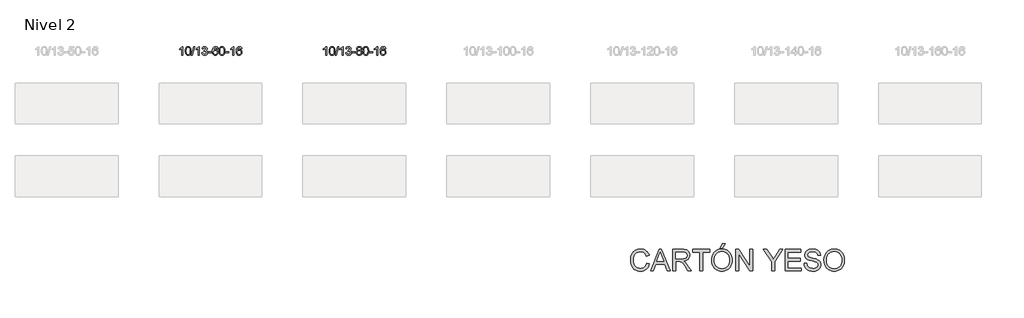
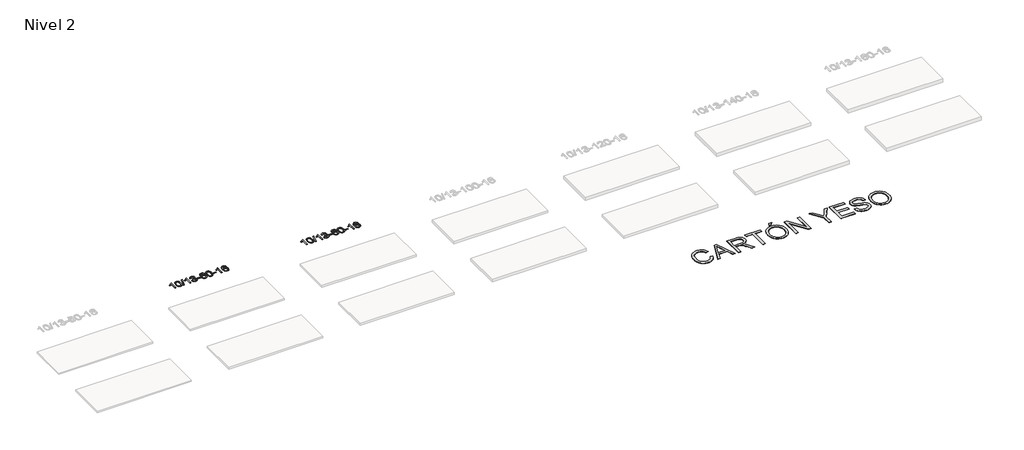
# One storey, part 24 of 51: 3 proxies.
"""IFC4 building model written with IfcOpenShell, lengths in millimetres."""

from ifc_helpers import new_model, si_unit, frame, origin, place, context, project, spatial, polyline, outline, extrude, element, save

model = new_model("IFC4")

# Units and contexts
model_context = context("Model", 3, world=origin())
ifc_project = project(units=[si_unit("LENGTHUNIT", "METRE", prefix="MILLI")], contexts=[model_context])

# Site, building, storey
site = spatial("IfcSite", under=ifc_project)
building = spatial("IfcBuilding", under=site)
storey = spatial("IfcBuildingStorey", under=building, Name="Nivel 2", Elevation=3000.0)

# Proxies
placement = place(None, origin())
element("IfcBuildingElementProxy", 1, Name="Texto de modelo 1", ObjectType="Texto de modelo 1", at=placement, inside=storey, context=model_context, shape_type="SweptSolid", body=[
    extrude(outline(polyline([(4438.4865277, -104863.8281584), (4388.2583726, -104863.8281584), (4388.2583726, -104550.6870041), (4367.2890989, -104567.6463641), (4340.6789679, -104584.5811986), (4287.8020625, -104609.9405308), (4287.8020625, -104562.459228), (4327.2512751, -104540.9994449), (4361.4275124, -104515.4684345), (4388.3687372, -104488.3187432), (4406.1129121, -104462.0029178), (4438.4865277, -104462.0029178), (4438.4865277, -104863.8281584)])), frame((0.0, 0.0, 3000.0), z_axis=(0.0, 0.0, 1.0), x_axis=(1.0, 0.0, 0.0)), (0.0, 0.0, 1.0), 10.0),
    extrude(outline(polyline([(4557.778396, -104666.1528997), (4561.4694787, -104601.8348642), (4572.5427267, -104550.5398513), (4590.8877756, -104511.4830462), (4602.7458385, -104496.2496659), (4616.3942606, -104483.8796338), (4631.8790269, -104474.3085706), (4649.2461227, -104467.4720968), (4689.6273031, -104462.0029178), (4720.5784416, -104465.2402794), (4748.2922186, -104474.9523641), (4771.4687843, -104490.7590271), (4788.808289, -104512.2801238), (4801.904888, -104539.3317132), (4812.3527367, -104571.7298543), (4819.1953418, -104612.8713241), (4821.4762101, -104666.1528997), (4817.8219157, -104730.1030532), (4806.8590322, -104781.2754387), (4788.624348, -104820.3690321), (4776.7938761, -104835.6483976), (4763.1546512, -104848.082809), (4747.6514908, -104857.7182516), (4730.2292126, -104864.6007106), (4689.6273031, -104870.1066778), (4661.962577, -104867.7154449), (4637.4371107, -104860.5417459), (4616.050904, -104848.5855811), (4597.8039571, -104831.8469503), (4580.2927741, -104801.5886562), (4567.7847863, -104763.8868831), (4560.2799936, -104718.7416309), (4557.778396, -104666.1528997)]), holes=[polyline([(4608.0065511, -104666.0547978), (4609.4780791, -104709.719325), (4613.892663, -104745.0635877), (4621.2503029, -104772.0875859), (4631.5509988, -104790.7913197), (4644.0099357, -104803.516971), (4657.8422987, -104812.606722), (4673.0480878, -104818.0605726), (4689.6273031, -104819.8785227), (4706.2065183, -104818.0544412), (4721.4123075, -104812.5821965), (4735.2446705, -104803.4617887), (4747.7036074, -104790.6932178), (4758.0043032, -104771.9588272), (4765.3619431, -104744.9409603), (4769.7765271, -104709.6396172), (4771.2480551, -104666.0547978), (4769.825578, -104623.5460333), (4765.5581469, -104588.8241043), (4758.4457616, -104561.8890109), (4748.4884223, -104542.740753), (4736.2379519, -104529.392768), (4722.2461733, -104519.8584929), (4706.5130866, -104514.1379279), (4689.0386919, -104512.2310729), (4672.5453158, -104513.9110674), (4657.597044, -104518.9510507), (4644.1938767, -104527.3510229), (4632.3358137, -104539.110984), (4621.6917613, -104559.9576304), (4614.0888667, -104588.0638149), (4609.52713, -104623.4295373), (4608.0065511, -104666.0547978)])]), frame((0.0, 0.0, 3000.0), z_axis=(0.0, 0.0, 1.0), x_axis=(1.0, 0.0, 0.0)), (0.0, 0.0, 1.0), 10.0),
    extrude(outline(polyline([(4840.3117683, -104863.8281584), (4953.3251172, -104462.0029178), (4998.648179, -104462.0029178), (4885.6348301, -104863.8281584), (4840.3117683, -104863.8281584)])), frame((0.0, 0.0, 3000.0), z_axis=(0.0, 0.0, 1.0), x_axis=(1.0, 0.0, 0.0)), (0.0, 0.0, 1.0), 10.0),
    extrude(outline(polyline([(5210.744412, -104863.8281584), (5160.5162569, -104863.8281584), (5160.5162569, -104550.6870041), (5139.5469832, -104567.6463641), (5112.9368522, -104584.5811986), (5060.0599467, -104609.9405308), (5060.0599467, -104562.459228), (5099.5091594, -104540.9994449), (5133.6853967, -104515.4684345), (5160.6266215, -104488.3187432), (5178.3707964, -104462.0029178), (5210.744412, -104462.0029178), (5210.744412, -104863.8281584)])), frame((0.0, 0.0, 3000.0), z_axis=(0.0, 0.0, 1.0), x_axis=(1.0, 0.0, 0.0)), (0.0, 0.0, 1.0), 10.0),
    extrude(outline(polyline([(5330.0362803, -104757.0933289), (5380.2644353, -104750.8148095), (5391.5093617, -104782.3790847), (5407.9782123, -104803.691715), (5430.4803277, -104815.8318208), (5459.8250482, -104819.8785227), (5494.2588029, -104814.3112419), (5508.5326243, -104807.3521408), (5520.8444084, -104797.6093993), (5537.8405566, -104772.6915255), (5543.5059393, -104742.476151), (5537.8896075, -104713.7936181), (5521.0406122, -104690.5312132), (5495.5341272, -104675.1169576), (5463.9453265, -104669.9788724), (5428.7267568, -104675.4725769), (5434.3185632, -104625.2444218), (5442.3629161, -104625.833033), (5472.4556633, -104622.2277895), (5499.3600999, -104611.4120588), (5510.433348, -104603.2328158), (5518.3428109, -104593.1160609), (5523.0884886, -104581.0617942), (5524.6703812, -104567.0700157), (5520.084119, -104545.3772407), (5506.3253324, -104527.7802186), (5485.3315332, -104516.1183593), (5459.0402332, -104512.2310729), (5432.6998824, -104516.1551475), (5411.1665229, -104527.9273714), (5395.445699, -104547.5477445), (5386.5429547, -104575.0162668), (5336.3147997, -104568.7377474), (5342.2683566, -104544.7579727), (5351.1036559, -104523.6354148), (5362.8206974, -104505.3700737), (5377.4194812, -104489.9619495), (5394.4401549, -104477.7298731), (5413.4228658, -104468.9926757), (5434.3676141, -104463.7503573), (5457.2743997, -104462.0029178), (5488.8509376, -104465.4487459), (5517.8523015, -104475.7862299), (5542.3041915, -104492.095665), (5560.2323074, -104513.4573462), (5571.231979, -104538.0686517), (5574.8985363, -104564.1269597), (5571.41592, -104588.4071714), (5560.9680714, -104610.4310402), (5543.7021431, -104629.1930219), (5519.7652879, -104643.6875725), (5551.2069358, -104656.3917641), (5574.5061288, -104678.0232254), (5588.927103, -104707.4047341), (5593.7340944, -104743.3590678), (5591.3305987, -104768.8410273), (5584.1201116, -104792.3118986), (5572.1026331, -104813.7716816), (5555.2781632, -104833.2203764), (5534.7810047, -104849.3581333), (5511.7454604, -104860.8851025), (5486.1715304, -104867.801284), (5458.0592146, -104870.1066778), (5432.6508315, -104868.1385091), (5409.4987912, -104862.2340031), (5388.6030939, -104852.3931598), (5369.9637395, -104838.615979), (5354.3348861, -104821.7118014), (5342.4706917, -104802.4899671), (5334.3711564, -104780.9504763), (5330.0362803, -104757.0933289)])), frame((0.0, 0.0, 3000.0), z_axis=(0.0, 0.0, 1.0), x_axis=(1.0, 0.0, 0.0)), (0.0, 0.0, 1.0), 10.0),
    extrude(outline(polyline([(5625.1266913, -104744.5362901), (5625.1266913, -104694.3081351), (5782.0896759, -104694.3081351), (5782.0896759, -104744.5362901), (5625.1266913, -104744.5362901)])), frame((0.0, 0.0, 3000.0), z_axis=(0.0, 0.0, 1.0), x_axis=(1.0, 0.0, 0.0)), (0.0, 0.0, 1.0), 10.0),
    extrude(outline(polyline([(6083.4586064, -104568.7377474), (6033.2304513, -104575.0162668), (6025.1370474, -104550.1229184), (6014.1986894, -104533.1267702), (5991.4145312, -104517.4549972), (5963.8724325, -104512.2310729), (5940.5241885, -104515.2722307), (5918.5493707, -104524.3957042), (5899.6770243, -104543.6114071), (5884.2627687, -104570.0621226), (5873.8517083, -104607.4757215), (5869.9889473, -104659.5800747), (5890.1366179, -104636.0724152), (5914.2819395, -104619.5054627), (5941.0760115, -104609.6830134), (5969.1699332, -104606.4088637), (5993.3029921, -104608.6468125), (6015.5721155, -104615.3606589), (6035.9773035, -104626.5504029), (6054.5185561, -104642.2160445), (6069.9266803, -104661.4256161), (6080.9324834, -104683.2471497), (6087.5359652, -104707.6806456), (6089.7371258, -104734.7261036), (6085.592322, -104770.6927), (6073.1579105, -104804.0350715), (6053.4639611, -104832.3129342), (6027.5405431, -104853.0860042), (5996.5648791, -104865.8515094), (5961.7141915, -104870.1066778), (5931.7716627, -104867.2862492), (5904.7292704, -104858.8249633), (5880.5870145, -104844.7228202), (5859.3448949, -104824.9798197), (5842.02685, -104798.7620962), (5829.6568179, -104765.2357837), (5822.2347987, -104724.4008823), (5819.7607923, -104676.2573918), (5822.5076445, -104622.2829718), (5830.7482012, -104576.2180146), (5844.4824623, -104538.0625203), (5863.7104279, -104507.816489), (5884.550943, -104487.7730516), (5908.7146587, -104473.4563106), (5936.2015751, -104464.866266), (5967.0116922, -104462.0029178), (5990.1453383, -104463.7748828), (6011.0839552, -104469.0907776), (6029.8275429, -104477.9506023), (6046.3761013, -104490.3543569), (6060.2820407, -104505.8851085), (6071.0977714, -104524.1259241), (6078.8232933, -104545.0768037), (6083.4586064, -104568.7377474)]), holes=[polyline([(5869.9889473, -104733.9412887), (5872.8952151, -104756.1981494), (5881.6140184, -104777.449466), (5895.1520758, -104795.7209384), (5912.516106, -104809.0382666), (5933.473117, -104817.1684587), (5957.7901168, -104819.8785227), (5990.9362846, -104814.262191), (6004.8514211, -104807.2417762), (6016.9945926, -104797.4131956), (6026.844633, -104785.1749879), (6033.8803762, -104770.9256919), (6039.5089707, -104736.3938353), (6033.9539526, -104703.2476675), (6027.0101799, -104689.6268367), (6017.2888982, -104677.9741745), (6005.1089385, -104668.6391688), (5990.7891318, -104661.9713077), (5955.7299777, -104656.6370188), (5922.6328608, -104661.9713077), (5894.9558721, -104677.9741745), (5884.0328425, -104689.4735525), (5876.2306785, -104702.6345309), (5871.5493801, -104717.4571096), (5869.9889473, -104733.9412887)])]), frame((0.0, 0.0, 3000.0), z_axis=(0.0, 0.0, 1.0), x_axis=(1.0, 0.0, 0.0)), (0.0, 0.0, 1.0), 10.0),
    extrude(outline(polyline([(6133.6867615, -104666.1528997), (6137.3778442, -104601.8348642), (6148.4510922, -104550.5398513), (6166.796141, -104511.4830462), (6178.654204, -104496.2496659), (6192.302626, -104483.8796338), (6207.7873923, -104474.3085706), (6225.1544882, -104467.4720968), (6265.5356685, -104462.0029178), (6296.4868071, -104465.2402794), (6324.200584, -104474.9523641), (6347.3771497, -104490.7590271), (6364.7166544, -104512.2801238), (6377.8132535, -104539.3317132), (6388.2611021, -104571.7298543), (6395.1037072, -104612.8713241), (6397.3845756, -104666.1528997), (6393.7302811, -104730.1030532), (6382.7673977, -104781.2754387), (6364.5327134, -104820.3690321), (6352.7022416, -104835.6483976), (6339.0630166, -104848.082809), (6323.5598562, -104857.7182516), (6306.1375781, -104864.6007106), (6265.5356685, -104870.1066778), (6237.8709425, -104867.7154449), (6213.3454762, -104860.5417459), (6191.9592695, -104848.5855811), (6173.7123225, -104831.8469503), (6156.2011396, -104801.5886562), (6143.6931517, -104763.8868831), (6136.188359, -104718.7416309), (6133.6867615, -104666.1528997)]), holes=[polyline([(6183.9149165, -104666.0547978), (6185.3864445, -104709.719325), (6189.8010285, -104745.0635877), (6197.1586684, -104772.0875859), (6207.4593642, -104790.7913197), (6219.9183011, -104803.516971), (6233.7506642, -104812.606722), (6248.9564533, -104818.0605726), (6265.5356685, -104819.8785227), (6282.1148838, -104818.0544412), (6297.3206729, -104812.5821965), (6311.1530359, -104803.4617887), (6323.6119728, -104790.6932178), (6333.9126687, -104771.9588272), (6341.2703086, -104744.9409603), (6345.6848926, -104709.6396172), (6347.1564205, -104666.0547978), (6345.7339435, -104623.5460333), (6341.4665123, -104588.8241043), (6334.3541271, -104561.8890109), (6324.3967878, -104542.740753), (6312.1463173, -104529.392768), (6298.1545388, -104519.8584929), (6282.4214521, -104514.1379279), (6264.9470573, -104512.2310729), (6248.4536812, -104513.9110674), (6233.5054095, -104518.9510507), (6220.1022421, -104527.3510229), (6208.2441792, -104539.110984), (6197.6001268, -104559.9576304), (6189.9972322, -104588.0638149), (6185.4354955, -104623.4295373), (6183.9149165, -104666.0547978)])]), frame((0.0, 0.0, 3000.0), z_axis=(0.0, 0.0, 1.0), x_axis=(1.0, 0.0, 0.0)), (0.0, 0.0, 1.0), 10.0),
    extrude(outline(polyline([(6428.7771725, -104744.5362901), (6428.7771725, -104694.3081351), (6585.7401571, -104694.3081351), (6585.7401571, -104744.5362901), (6428.7771725, -104744.5362901)])), frame((0.0, 0.0, 3000.0), z_axis=(0.0, 0.0, 1.0), x_axis=(1.0, 0.0, 0.0)), (0.0, 0.0, 1.0), 10.0),
    extrude(outline(polyline([(6818.0453744, -104863.8281584), (6767.8172193, -104863.8281584), (6767.8172193, -104550.6870041), (6746.8479456, -104567.6463641), (6720.2378146, -104584.5811986), (6667.3609091, -104609.9405308), (6667.3609091, -104562.459228), (6706.8101218, -104540.9994449), (6740.9863591, -104515.4684345), (6767.9275839, -104488.3187432), (6785.6717588, -104462.0029178), (6818.0453744, -104462.0029178), (6818.0453744, -104863.8281584)])), frame((0.0, 0.0, 3000.0), z_axis=(0.0, 0.0, 1.0), x_axis=(1.0, 0.0, 0.0)), (0.0, 0.0, 1.0), 10.0),
    extrude(outline(polyline([(7194.7565374, -104568.7377474), (7144.5283823, -104575.0162668), (7136.4349785, -104550.1229184), (7125.4966205, -104533.1267702), (7102.7124622, -104517.4549972), (7075.1703635, -104512.2310729), (7051.8221196, -104515.2722307), (7029.8473017, -104524.3957042), (7010.9749554, -104543.6114071), (6995.5606998, -104570.0621226), (6985.1496393, -104607.4757215), (6981.2868784, -104659.5800747), (7001.434549, -104636.0724152), (7025.5798706, -104619.5054627), (7052.3739426, -104609.6830134), (7080.4678643, -104606.4088637), (7104.6009231, -104608.6468125), (7126.8700466, -104615.3606589), (7147.2752346, -104626.5504029), (7165.8164871, -104642.2160445), (7181.2246114, -104661.4256161), (7192.2304144, -104683.2471497), (7198.8338962, -104707.6806456), (7201.0350568, -104734.7261036), (7196.890253, -104770.6927), (7184.4558416, -104804.0350715), (7164.7618921, -104832.3129342), (7138.8384742, -104853.0860042), (7107.8628102, -104865.8515094), (7073.0121225, -104870.1066778), (7043.0695938, -104867.2862492), (7016.0272014, -104858.8249633), (6991.8849455, -104844.7228202), (6970.642826, -104824.9798197), (6953.324781, -104798.7620962), (6940.954749, -104765.2357837), (6933.5327297, -104724.4008823), (6931.0587233, -104676.2573918), (6933.8055755, -104622.2829718), (6942.0461322, -104576.2180146), (6955.7803934, -104538.0625203), (6975.008359, -104507.816489), (6995.848874, -104487.7730516), (7020.0125897, -104473.4563106), (7047.4995061, -104464.866266), (7078.3096232, -104462.0029178), (7101.4432693, -104463.7748828), (7122.3818862, -104469.0907776), (7141.1254739, -104477.9506023), (7157.6740323, -104490.3543569), (7171.5799717, -104505.8851085), (7182.3957024, -104524.1259241), (7190.1212243, -104545.0768037), (7194.7565374, -104568.7377474)]), holes=[polyline([(6981.2868784, -104733.9412887), (6984.1931461, -104756.1981494), (6992.9119494, -104777.449466), (7006.4500068, -104795.7209384), (7023.814037, -104809.0382666), (7044.771048, -104817.1684587), (7069.0880479, -104819.8785227), (7102.2342156, -104814.262191), (7116.1493521, -104807.2417762), (7128.2925236, -104797.4131956), (7138.142564, -104785.1749879), (7145.1783072, -104770.9256919), (7150.8069017, -104736.3938353), (7145.2518836, -104703.2476675), (7138.3081109, -104689.6268367), (7128.5868292, -104677.9741745), (7116.4068695, -104668.6391688), (7102.0870628, -104661.9713077), (7067.0279087, -104656.6370188), (7033.9307919, -104661.9713077), (7006.2538031, -104677.9741745), (6995.3307735, -104689.4735525), (6987.5286095, -104702.6345309), (6982.8473112, -104717.4571096), (6981.2868784, -104733.9412887)])]), frame((0.0, 0.0, 3000.0), z_axis=(0.0, 0.0, 1.0), x_axis=(1.0, 0.0, 0.0)), (0.0, 0.0, 1.0), 10.0),
])
element("IfcBuildingElementProxy", 2, Name="Texto de modelo 1", ObjectType="Texto de modelo 1", at=placement, inside=storey, context=model_context, shape_type="SweptSolid", body=[
    extrude(outline(polyline([(11153.4270625, -104863.8281584), (11103.1989074, -104863.8281584), (11103.1989074, -104550.6870041), (11082.2296337, -104567.6463641), (11055.6195027, -104584.5811986), (11002.7425973, -104609.9405308), (11002.7425973, -104562.459228), (11042.1918099, -104540.9994449), (11076.3680473, -104515.4684345), (11103.309272, -104488.3187432), (11121.0534469, -104462.0029178), (11153.4270625, -104462.0029178), (11153.4270625, -104863.8281584)])), frame((0.0, 0.0, 3000.0), z_axis=(0.0, 0.0, 1.0), x_axis=(1.0, 0.0, 0.0)), (0.0, 0.0, 1.0), 10.0),
    extrude(outline(polyline([(11272.7189308, -104666.1528997), (11276.4100135, -104601.8348642), (11287.4832616, -104550.5398513), (11305.8283104, -104511.4830462), (11317.6863734, -104496.2496659), (11331.3347954, -104483.8796338), (11346.8195617, -104474.3085706), (11364.1866576, -104467.4720968), (11404.5678379, -104462.0029178), (11435.5189764, -104465.2402794), (11463.2327534, -104474.9523641), (11486.4093191, -104490.7590271), (11503.7488238, -104512.2801238), (11516.8454228, -104539.3317132), (11527.2932715, -104571.7298543), (11534.1358766, -104612.8713241), (11536.416745, -104666.1528997), (11532.7624505, -104730.1030532), (11521.799567, -104781.2754387), (11503.5648828, -104820.3690321), (11491.734411, -104835.6483976), (11478.095186, -104848.082809), (11462.5920256, -104857.7182516), (11445.1697474, -104864.6007106), (11404.5678379, -104870.1066778), (11376.9031119, -104867.7154449), (11352.3776455, -104860.5417459), (11330.9914389, -104848.5855811), (11312.7444919, -104831.8469503), (11295.2333089, -104801.5886562), (11282.7253211, -104763.8868831), (11275.2205284, -104718.7416309), (11272.7189308, -104666.1528997)]), holes=[polyline([(11322.9470859, -104666.0547978), (11324.4186139, -104709.719325), (11328.8331978, -104745.0635877), (11336.1908377, -104772.0875859), (11346.4915336, -104790.7913197), (11358.9504705, -104803.516971), (11372.7828335, -104812.606722), (11387.9886226, -104818.0605726), (11404.5678379, -104819.8785227), (11421.1470531, -104818.0544412), (11436.3528423, -104812.5821965), (11450.1852053, -104803.4617887), (11462.6441422, -104790.6932178), (11472.9448381, -104771.9588272), (11480.302478, -104744.9409603), (11484.7170619, -104709.6396172), (11486.1885899, -104666.0547978), (11484.7661128, -104623.5460333), (11480.4986817, -104588.8241043), (11473.3862965, -104561.8890109), (11463.4289571, -104542.740753), (11451.1784867, -104529.392768), (11437.1867081, -104519.8584929), (11421.4536215, -104514.1379279), (11403.9792267, -104512.2310729), (11387.4858506, -104513.9110674), (11372.5375788, -104518.9510507), (11359.1344115, -104527.3510229), (11347.2763485, -104539.110984), (11336.6322961, -104559.9576304), (11329.0294015, -104588.0638149), (11324.4676648, -104623.4295373), (11322.9470859, -104666.0547978)])]), frame((0.0, 0.0, 3000.0), z_axis=(0.0, 0.0, 1.0), x_axis=(1.0, 0.0, 0.0)), (0.0, 0.0, 1.0), 10.0),
    extrude(outline(polyline([(11555.2523031, -104863.8281584), (11668.265652, -104462.0029178), (11713.5887138, -104462.0029178), (11600.5753649, -104863.8281584), (11555.2523031, -104863.8281584)])), frame((0.0, 0.0, 3000.0), z_axis=(0.0, 0.0, 1.0), x_axis=(1.0, 0.0, 0.0)), (0.0, 0.0, 1.0), 10.0),
    extrude(outline(polyline([(11925.6849468, -104863.8281584), (11875.4567917, -104863.8281584), (11875.4567917, -104550.6870041), (11854.487518, -104567.6463641), (11827.877387, -104584.5811986), (11775.0004816, -104609.9405308), (11775.0004816, -104562.459228), (11814.4496942, -104540.9994449), (11848.6259315, -104515.4684345), (11875.5671563, -104488.3187432), (11893.3113312, -104462.0029178), (11925.6849468, -104462.0029178), (11925.6849468, -104863.8281584)])), frame((0.0, 0.0, 3000.0), z_axis=(0.0, 0.0, 1.0), x_axis=(1.0, 0.0, 0.0)), (0.0, 0.0, 1.0), 10.0),
    extrude(outline(polyline([(12044.9768151, -104757.0933289), (12095.2049702, -104750.8148095), (12106.4498965, -104782.3790847), (12122.9187471, -104803.691715), (12145.4208625, -104815.8318208), (12174.765583, -104819.8785227), (12209.1993377, -104814.3112419), (12223.4731592, -104807.3521408), (12235.7849433, -104797.6093993), (12252.7810914, -104772.6915255), (12258.4464742, -104742.476151), (12252.8301424, -104713.7936181), (12235.981147, -104690.5312132), (12210.474662, -104675.1169576), (12178.8858613, -104669.9788724), (12143.6672917, -104675.4725769), (12149.259098, -104625.2444218), (12157.303451, -104625.833033), (12187.3961982, -104622.2277895), (12214.3006347, -104611.4120588), (12225.3738828, -104603.2328158), (12233.2833457, -104593.1160609), (12238.0290234, -104581.0617942), (12239.610916, -104567.0700157), (12235.0246538, -104545.3772407), (12221.2658672, -104527.7802186), (12200.272068, -104516.1183593), (12173.9807681, -104512.2310729), (12147.6404172, -104516.1551475), (12126.1070578, -104527.9273714), (12110.3862338, -104547.5477445), (12101.4834896, -104575.0162668), (12051.2553345, -104568.7377474), (12057.2088914, -104544.7579727), (12066.0441907, -104523.6354148), (12077.7612322, -104505.3700737), (12092.3600161, -104489.9619495), (12109.3806897, -104477.7298731), (12128.3634007, -104468.9926757), (12149.3081489, -104463.7503573), (12172.2149345, -104462.0029178), (12203.7914724, -104465.4487459), (12232.7928364, -104475.7862299), (12257.2447263, -104492.095665), (12275.1728422, -104513.4573462), (12286.1725139, -104538.0686517), (12289.8390711, -104564.1269597), (12286.3564549, -104588.4071714), (12275.9086062, -104610.4310402), (12258.6426779, -104629.1930219), (12234.7058227, -104643.6875725), (12266.1474706, -104656.3917641), (12289.4466636, -104678.0232254), (12303.8676378, -104707.4047341), (12308.6746292, -104743.3590678), (12306.2711335, -104768.8410273), (12299.0606464, -104792.3118986), (12287.0431679, -104813.7716816), (12270.218698, -104833.2203764), (12249.7215395, -104849.3581333), (12226.6859952, -104860.8851025), (12201.1120652, -104867.801284), (12172.9997494, -104870.1066778), (12147.5913663, -104868.1385091), (12124.4393261, -104862.2340031), (12103.5436287, -104852.3931598), (12084.9042743, -104838.615979), (12069.2754209, -104821.7118014), (12057.4112265, -104802.4899671), (12049.3116913, -104780.9504763), (12044.9768151, -104757.0933289)])), frame((0.0, 0.0, 3000.0), z_axis=(0.0, 0.0, 1.0), x_axis=(1.0, 0.0, 0.0)), (0.0, 0.0, 1.0), 10.0),
    extrude(outline(polyline([(12340.0672262, -104744.5362901), (12340.0672262, -104694.3081351), (12497.0302108, -104694.3081351), (12497.0302108, -104744.5362901), (12340.0672262, -104744.5362901)])), frame((0.0, 0.0, 3000.0), z_axis=(0.0, 0.0, 1.0), x_axis=(1.0, 0.0, 0.0)), (0.0, 0.0, 1.0), 10.0),
    extrude(outline(polyline([(12614.163838, -104642.5103501), (12587.2716642, -104629.2665983), (12568.3993178, -104611.3139569), (12557.2524934, -104589.020308), (12553.5368852, -104562.7535336), (12555.5602362, -104542.2686378), (12561.6302891, -104523.488262), (12571.747044, -104506.412406), (12585.9105008, -104491.04107), (12603.4400779, -104478.3368784), (12623.6551935, -104469.2624559), (12646.5558477, -104463.8178023), (12672.1420405, -104462.0029178), (12697.8508606, -104463.8607219), (12720.923193, -104469.4341341), (12741.3590379, -104478.7231545), (12759.1583951, -104491.727783), (12773.5793693, -104507.399556), (12783.8800651, -104524.6900098), (12790.0604827, -104543.5991444), (12792.1206218, -104564.1269597), (12788.4540646, -104589.5476056), (12777.454393, -104611.4611097), (12758.9989795, -104629.3033865), (12732.965197, -104642.5103501), (12763.8795473, -104658.4396405), (12786.3816627, -104681.8982491), (12800.1036611, -104711.7580044), (12804.6776606, -104746.8907349), (12802.409055, -104771.9434988), (12795.6032381, -104794.911598), (12784.2602099, -104815.7950326), (12768.3799704, -104834.5938026), (12748.7963855, -104850.1306855), (12726.3433211, -104861.228459), (12701.0207771, -104867.8871231), (12672.8287535, -104870.1066778), (12644.63673, -104867.8779261), (12619.314186, -104861.1916708), (12596.8611215, -104850.047912), (12577.2775366, -104834.4466498), (12561.3972972, -104815.5160554), (12550.054269, -104794.3843005), (12543.2484521, -104771.0513849), (12540.9798465, -104745.5173088), (12545.7377869, -104709.0234149), (12560.0116083, -104679.0042441), (12583.0655467, -104656.489866), (12614.163838, -104642.5103501)]), holes=[polyline([(12591.2080015, -104743.7514752), (12593.3049289, -104762.9671781), (12599.595711, -104781.5697443), (12611.2085193, -104797.7933403), (12629.2715253, -104809.8721325), (12650.9029866, -104817.3769252), (12673.221161, -104819.8785227), (12707.4096611, -104814.6178102), (12721.3033378, -104808.0419196), (12733.0632989, -104798.8356726), (12749.1029539, -104774.9356057), (12754.4495055, -104745.3211051), (12748.9312756, -104715.2038324), (12732.3765858, -104690.7764679), (12720.2977936, -104681.3341634), (12706.1343368, -104674.5896601), (12671.5534293, -104669.1940575), (12637.8431758, -104674.5160837), (12624.105849, -104681.1686165), (12612.4470554, -104690.4821623), (12596.517765, -104714.4435429), (12591.2080015, -104743.7514752)]), polyline([(12603.7650403, -104564.2250616), (12608.2164124, -104586.1508285), (12621.5705289, -104603.6620114), (12643.4349821, -104615.1399297), (12673.4173647, -104618.9659024), (12702.7007715, -104615.1644552), (12724.234131, -104603.7601133), (12737.4778828, -104586.8375415), (12741.8924668, -104566.4814045), (12737.33073, -104545.3527152), (12723.6455198, -104527.8783204), (12701.8178548, -104516.1428848), (12672.8287535, -104512.2310729), (12643.6557113, -104516.0570457), (12621.8648345, -104527.5349639), (12608.2899888, -104544.3594338), (12603.7650403, -104564.2250616)])]), frame((0.0, 0.0, 3000.0), z_axis=(0.0, 0.0, 1.0), x_axis=(1.0, 0.0, 0.0)), (0.0, 0.0, 1.0), 10.0),
    extrude(outline(polyline([(12848.6272963, -104666.1528997), (12852.318379, -104601.8348642), (12863.391627, -104550.5398513), (12881.7366759, -104511.4830462), (12893.5947388, -104496.2496659), (12907.2431609, -104483.8796338), (12922.7279272, -104474.3085706), (12940.095023, -104467.4720968), (12980.4762034, -104462.0029178), (13011.4273419, -104465.2402794), (13039.1411189, -104474.9523641), (13062.3176846, -104490.7590271), (13079.6571893, -104512.2801238), (13092.7537883, -104539.3317132), (13103.201637, -104571.7298543), (13110.0442421, -104612.8713241), (13112.3251104, -104666.1528997), (13108.6708159, -104730.1030532), (13097.7079325, -104781.2754387), (13079.4732483, -104820.3690321), (13067.6427764, -104835.6483976), (13054.0035515, -104848.082809), (13038.5003911, -104857.7182516), (13021.0781129, -104864.6007106), (12980.4762034, -104870.1066778), (12952.8114773, -104867.7154449), (12928.286011, -104860.5417459), (12906.8998043, -104848.5855811), (12888.6528574, -104831.8469503), (12871.1416744, -104801.5886562), (12858.6336866, -104763.8868831), (12851.1288939, -104718.7416309), (12848.6272963, -104666.1528997)]), holes=[polyline([(12898.8554514, -104666.0547978), (12900.3269793, -104709.719325), (12904.7415633, -104745.0635877), (12912.0992032, -104772.0875859), (12922.3998991, -104790.7913197), (12934.858836, -104803.516971), (12948.691199, -104812.606722), (12963.8969881, -104818.0605726), (12980.4762034, -104819.8785227), (12997.0554186, -104818.0544412), (13012.2612077, -104812.5821965), (13026.0935708, -104803.4617887), (13038.5525077, -104790.6932178), (13048.8532035, -104771.9588272), (13056.2108434, -104744.9409603), (13060.6254274, -104709.6396172), (13062.0969554, -104666.0547978), (13060.6744783, -104623.5460333), (13056.4070472, -104588.8241043), (13049.2946619, -104561.8890109), (13039.3373226, -104542.740753), (13027.0868522, -104529.392768), (13013.0950736, -104519.8584929), (12997.3619869, -104514.1379279), (12979.8875922, -104512.2310729), (12963.3942161, -104513.9110674), (12948.4459443, -104518.9510507), (12935.042777, -104527.3510229), (12923.184714, -104539.110984), (12912.5406616, -104559.9576304), (12904.937767, -104588.0638149), (12900.3760303, -104623.4295373), (12898.8554514, -104666.0547978)])]), frame((0.0, 0.0, 3000.0), z_axis=(0.0, 0.0, 1.0), x_axis=(1.0, 0.0, 0.0)), (0.0, 0.0, 1.0), 10.0),
    extrude(outline(polyline([(13143.7177074, -104744.5362901), (13143.7177074, -104694.3081351), (13300.680692, -104694.3081351), (13300.680692, -104744.5362901), (13143.7177074, -104744.5362901)])), frame((0.0, 0.0, 3000.0), z_axis=(0.0, 0.0, 1.0), x_axis=(1.0, 0.0, 0.0)), (0.0, 0.0, 1.0), 10.0),
    extrude(outline(polyline([(13532.9859092, -104863.8281584), (13482.7577541, -104863.8281584), (13482.7577541, -104550.6870041), (13461.7884804, -104567.6463641), (13435.1783494, -104584.5811986), (13382.301444, -104609.9405308), (13382.301444, -104562.459228), (13421.7506566, -104540.9994449), (13455.9268939, -104515.4684345), (13482.8681187, -104488.3187432), (13500.6122936, -104462.0029178), (13532.9859092, -104462.0029178), (13532.9859092, -104863.8281584)])), frame((0.0, 0.0, 3000.0), z_axis=(0.0, 0.0, 1.0), x_axis=(1.0, 0.0, 0.0)), (0.0, 0.0, 1.0), 10.0),
    extrude(outline(polyline([(13909.6970722, -104568.7377474), (13859.4689172, -104575.0162668), (13851.3755133, -104550.1229184), (13840.4371553, -104533.1267702), (13817.6529971, -104517.4549972), (13790.1108983, -104512.2310729), (13766.7626544, -104515.2722307), (13744.7878365, -104524.3957042), (13725.9154902, -104543.6114071), (13710.5012346, -104570.0621226), (13700.0901741, -104607.4757215), (13696.2274132, -104659.5800747), (13716.3750838, -104636.0724152), (13740.5204054, -104619.5054627), (13767.3144774, -104609.6830134), (13795.4083991, -104606.4088637), (13819.541458, -104608.6468125), (13841.8105814, -104615.3606589), (13862.2157694, -104626.5504029), (13880.757022, -104642.2160445), (13896.1651462, -104661.4256161), (13907.1709492, -104683.2471497), (13913.774431, -104707.6806456), (13915.9755916, -104734.7261036), (13911.8307878, -104770.6927), (13899.3963764, -104804.0350715), (13879.7024269, -104832.3129342), (13853.779009, -104853.0860042), (13822.803345, -104865.8515094), (13787.9526573, -104870.1066778), (13758.0101286, -104867.2862492), (13730.9677363, -104858.8249633), (13706.8254803, -104844.7228202), (13685.5833608, -104824.9798197), (13668.2653159, -104798.7620962), (13655.8952838, -104765.2357837), (13648.4732645, -104724.4008823), (13645.9992581, -104676.2573918), (13648.7461103, -104622.2829718), (13656.986667, -104576.2180146), (13670.7209282, -104538.0625203), (13689.9488938, -104507.816489), (13710.7894088, -104487.7730516), (13734.9531245, -104473.4563106), (13762.4400409, -104464.866266), (13793.250158, -104462.0029178), (13816.3838042, -104463.7748828), (13837.3224211, -104469.0907776), (13856.0660087, -104477.9506023), (13872.6145671, -104490.3543569), (13886.5205066, -104505.8851085), (13897.3362372, -104524.1259241), (13905.0617591, -104545.0768037), (13909.6970722, -104568.7377474)]), holes=[polyline([(13696.2274132, -104733.9412887), (13699.1336809, -104756.1981494), (13707.8524842, -104777.449466), (13721.3905416, -104795.7209384), (13738.7545718, -104809.0382666), (13759.7115828, -104817.1684587), (13784.0285827, -104819.8785227), (13817.1747505, -104814.262191), (13831.0898869, -104807.2417762), (13843.2330585, -104797.4131956), (13853.0830989, -104785.1749879), (13860.118842, -104770.9256919), (13865.7474366, -104736.3938353), (13860.1924184, -104703.2476675), (13853.2486458, -104689.6268367), (13843.527364, -104677.9741745), (13831.3474043, -104668.6391688), (13817.0275977, -104661.9713077), (13781.9684435, -104656.6370188), (13748.8713267, -104661.9713077), (13721.1943379, -104677.9741745), (13710.2713083, -104689.4735525), (13702.4691444, -104702.6345309), (13697.787846, -104717.4571096), (13696.2274132, -104733.9412887)])]), frame((0.0, 0.0, 3000.0), z_axis=(0.0, 0.0, 1.0), x_axis=(1.0, 0.0, 0.0)), (0.0, 0.0, 1.0), 10.0),
])
element("IfcBuildingElementProxy", 3, Name="Texto de modelo 2", ObjectType="Texto de modelo 2", at=placement, inside=storey, context=model_context, shape_type="SweptSolid", body=[
    extrude(outline(polyline([(26087.1308486, -114573.584892), (26212.7012363, -114605.9585075), (26187.8538732, -114684.0491252), (26154.759822, -114752.2835711), (26113.4190828, -114810.6618452), (26089.6562052, -114836.1549179), (26063.8316556, -114859.1839475), (26007.1165146, -114897.3287119), (25944.3926345, -114924.5749722), (25875.660015, -114940.9227284), (25800.9186563, -114946.3719804), (25724.3455519, -114942.2486364), (25655.2680431, -114929.8786043), (25593.6861299, -114909.2618841), (25539.5998124, -114880.3984759), (25492.2656624, -114843.7175753), (25450.9402516, -114799.648378), (25415.62358, -114748.1908839), (25386.3156478, -114689.3450931), (25363.3000304, -114625.6555227), (25346.8603038, -114559.6666898), (25336.9964678, -114491.3785945), (25333.7085225, -114420.7912366), (25337.4256634, -114345.0535309), (25348.5770864, -114274.3128889), (25367.1627914, -114208.5693107), (25393.1827783, -114147.8227962), (25426.0545675, -114093.0773568), (25465.1956789, -114045.3370037), (25510.6061127, -114004.601737), (25562.2858688, -113970.8715565), (25618.4798436, -113944.4223739), (25677.4329333, -113925.5301006), (25739.145138, -113914.1947366), (25803.6164576, -113910.416282), (25875.437753, -113915.3060468), (25941.2962943, -113929.9753414), (26001.1920817, -113954.4241657), (26055.125115, -113988.6525196), (26102.2063462, -114031.7560267), (26141.546727, -114082.8303104), (26173.1462576, -114141.8753706), (26197.0049378, -114208.8912074), (26071.4345501, -114238.8122763), (26051.6608929, -114189.4317827), (26027.9018474, -114147.2403164), (26000.1574136, -114112.2378774), (25968.4275915, -114084.4244657), (25932.5284401, -114063.2329299), (25892.2760185, -114048.0961187), (25847.6703266, -114039.0140319), (25798.7113644, -114035.9866697), (25742.3794338, -114039.3435929), (25690.8606261, -114049.4143625), (25644.1549411, -114066.1989785), (25602.2623789, -114089.697441), (25565.7117699, -114118.8520891), (25535.0319443, -114152.6052621), (25510.2229023, -114190.9569601), (25491.2846437, -114233.9071831), (25477.2821353, -114279.5092221), (25467.2803435, -114325.8163682), (25461.2792685, -114372.8286215), (25459.2789101, -114420.545982), (25461.6471505, -114480.5107472), (25468.7518715, -114536.5514378), (25480.5930732, -114588.6680538), (25497.1707556, -114636.8605951), (25518.753166, -114680.1710359), (25545.6085517, -114717.6413499), (25577.7369126, -114749.2715373), (25615.1382488, -114775.061598), (25655.9961429, -114795.0728457), (25698.4941775, -114809.366594), (25742.6323527, -114817.942843), (25788.4106685, -114820.8015927), (25843.0028237, -114816.9081749), (25893.2263803, -114805.2279216), (25939.0813381, -114785.7608327), (25980.5676973, -114758.5069082), (26016.7044391, -114723.5887755), (26046.5105449, -114681.1290619), (26069.9860148, -114631.1277674), (26087.1308486, -114573.584892)])), frame((0.0, 0.0, 3000.0), z_axis=(0.0, 0.0, 1.0), x_axis=(1.0, 0.0, 0.0)), (0.0, 0.0, 1.0), 10.0),
    extrude(outline(polyline([(26268.3740449, -114930.6756819), (26669.3654196, -113926.1125804), (26776.2964529, -113926.1125804), (27177.2878276, -114930.6756819), (27044.6050547, -114930.6756819), (26929.5806175, -114616.7497127), (26515.8360003, -114616.7497127), (26401.0568178, -114930.6756819), (26268.3740449, -114930.6756819)]), holes=[polyline([(26561.943877, -114491.179325), (26883.7179955, -114491.179325), (26793.2190247, -114244.2078789), (26722.8309362, -114051.6829681), (26660.2909971, -114222.6254686), (26561.943877, -114491.179325)])]), frame((0.0, 0.0, 3000.0), z_axis=(0.0, 0.0, 1.0), x_axis=(1.0, 0.0, 0.0)), (0.0, 0.0, 1.0), 10.0),
    extrude(outline(polyline([(27311.4421285, -114930.6756819), (27311.4421285, -113926.1125804), (27744.3166095, -113926.1125804), (27806.4503457, -113927.8063705), (27860.6592905, -113932.8877405), (27906.943444, -113941.3566906), (27945.3028062, -113953.2132208), (27977.9676617, -113969.3693717), (28007.1682951, -113990.7371843), (28032.9047063, -114017.3166584), (28055.1768954, -114049.1077942), (28073.1494637, -114084.4014731), (28085.9870125, -114121.4885767), (28093.6895418, -114160.3691051), (28096.2570516, -114201.0430582), (28092.003416, -114252.638508), (28079.2425093, -114300.0033149), (28057.9743314, -114343.1374788), (28028.1988825, -114382.0409998), (27989.5329519, -114415.4722761), (27941.5933294, -114442.189706), (27884.380015, -114462.1932895), (27817.8930086, -114475.4830266), (27859.279733, -114502.5223532), (27889.2621156, -114529.1937979), (27940.7042813, -114590.2008954), (27991.042801, -114658.4430055), (28158.5517361, -114930.6756819), (28012.6252113, -114930.6756819), (27881.9044757, -114722.4544727), (27829.6039187, -114642.9919617), (27787.4814303, -114584.6213518), (27752.3793566, -114544.4302438), (27721.1400438, -114519.5062387), (27691.5562, -114504.8829294), (27661.4205333, -114495.593909), (27588.5798982, -114491.179325), (27437.0125162, -114491.179325), (27437.0125162, -114930.6756819), (27311.4421285, -114930.6756819)]), holes=[polyline([(27437.0125162, -114365.6089374), (27718.0743605, -114365.6089374), (27798.7938016, -114361.1636966), (27861.4257113, -114347.8279743), (27886.6102996, -114337.6039205), (27908.5759204, -114324.7127222), (27927.3225737, -114309.1543795), (27942.8502596, -114290.9288923), (27955.0286865, -114270.9329731), (27963.7275628, -114250.063334), (27968.9468886, -114228.3199753), (27970.6866639, -114205.7028968), (27967.3680617, -114173.5898643), (27957.4122552, -114144.4505446), (27940.8192444, -114118.2849377), (27917.5890292, -114095.0930436), (27887.1851152, -114076.1011356), (27849.0710076, -114062.535487), (27803.2467066, -114054.3960978), (27749.7122121, -114051.6829681), (27437.0125162, -114051.6829681), (27437.0125162, -114365.6089374)])]), frame((0.0, 0.0, 3000.0), z_axis=(0.0, 0.0, 1.0), x_axis=(1.0, 0.0, 0.0)), (0.0, 0.0, 1.0), 10.0),
    extrude(outline(polyline([(28567.1460054, -114930.6756819), (28567.1460054, -114051.6829681), (28237.5237377, -114051.6829681), (28237.5237377, -113926.1125804), (29022.3386608, -113926.1125804), (29022.3386608, -114051.6829681), (28692.7163931, -114051.6829681), (28692.7163931, -114930.6756819), (28567.1460054, -114930.6756819)])), frame((0.0, 0.0, 3000.0), z_axis=(0.0, 0.0, 1.0), x_axis=(1.0, 0.0, 0.0)), (0.0, 0.0, 1.0), 10.0),
    extrude(outline(polyline([(29116.5164515, -114441.637883), (29118.6087804, -114381.0331564), (29124.8857669, -114323.8083456), (29135.3474112, -114269.9634507), (29149.9937131, -114219.4984716), (29168.8246727, -114172.4134083), (29191.84029, -114128.7082609), (29219.0405651, -114088.3830293), (29250.4254978, -114051.4377135), (29285.1175363, -114018.3858155), (29322.2391289, -113989.7408372), (29361.7902755, -113965.5027787), (29403.7709761, -113945.6716399), (29448.1812307, -113930.2474208), (29495.0210393, -113919.2301215), (29544.2904019, -113912.6197419), (29595.9893186, -113910.416282), (29663.5723068, -113914.5549544), (29727.7523865, -113926.9709718), (29788.5295578, -113947.664334), (29845.9038206, -113976.6350411), (29898.2656913, -114013.0093734), (29944.005686, -114055.9136111), (29983.1238048, -114105.3477542), (30015.6200477, -114161.3118027), (30041.1571896, -114222.5334981), (30059.3980052, -114287.7405817), (30070.3424945, -114356.9330536), (30073.9906576, -114430.1109138), (30070.1508893, -114504.2544643), (30058.6315843, -114574.3819696), (30039.4327427, -114640.4934298), (30012.5543644, -114702.5888449), (29978.6325788, -114759.0280744), (29938.3035151, -114808.1709775), (29891.5671733, -114850.0175545), (29838.4235534, -114884.5678052), (29780.9649843, -114911.6071319), (29721.2837948, -114930.9209366), (29659.3799849, -114942.5092195), (29595.2535546, -114946.3719804), (29526.4902783, -114942.1030164), (29461.4671357, -114929.2961245), (29400.1841266, -114907.9513045), (29342.6412512, -114878.0685566), (29290.3406942, -114840.8051762), (29244.7846405, -114797.3184587), (29205.97309, -114747.6084041), (29173.9060428, -114691.6750124), (29148.7980966, -114631.7638967), (29130.8638493, -114570.1206698), (29120.103301, -114506.745332), (29116.5164515, -114441.637883)]), holes=[polyline([(29242.0868392, -114442.8641563), (29243.6560859, -114485.657263), (29248.3638258, -114526.1127862), (29256.2100589, -114564.2307258), (29267.1947854, -114600.0110819), (29281.3180051, -114633.4538546), (29298.5797181, -114664.5590437), (29318.9799244, -114693.3266493), (29342.5186239, -114719.7566714), (29368.4255638, -114743.4390748), (29395.9304911, -114763.9638245), (29425.0334058, -114781.3309203), (29455.7343079, -114795.5403624), (29488.0331975, -114806.5921507), (29521.9300744, -114814.4862851), (29557.4249388, -114819.2227658), (29594.5177906, -114820.8015927), (29632.2889248, -114819.2074374), (29668.3471085, -114814.4249715), (29702.6923416, -114806.4541949), (29735.3246242, -114795.2951077), (29766.2439563, -114780.9477099), (29795.4503378, -114763.4120015), (29822.9437688, -114742.6879824), (29848.7242493, -114718.7756527), (29872.0905041, -114691.9317634), (29892.3412583, -114662.4130654), (29909.4765119, -114630.2195587), (29923.4962648, -114595.3512433), (29934.400517, -114557.8081193), (29942.1892687, -114517.5901866), (29946.8625196, -114474.6974452), (29948.42027, -114429.1298952), (29945.7531255, -114371.6636619), (29937.7516921, -114317.968219), (29924.4159698, -114268.0435665), (29905.7459585, -114221.8897046), (29881.948592, -114180.1121055), (29853.2308037, -114143.3162418), (29819.5925938, -114111.5021134), (29781.0339621, -114084.6697204), (29738.7505253, -114063.3708857), (29693.9378998, -114048.1574323), (29646.5960855, -114039.0293603), (29596.7250826, -114035.9866697), (29526.6588909, -114041.849789), (29461.6510767, -114059.4391469), (29431.0440611, -114072.6311653), (29401.7016399, -114088.7547434), (29346.8105805, -114129.7965784), (29322.2659536, -114155.2091769), (29300.9939437, -114184.5420179), (29282.9945507, -114217.7951013), (29268.2677745, -114254.9684273), (29256.8136153, -114296.0619958), (29248.632073, -114341.0758068), (29243.7231477, -114390.0098603), (29242.0868392, -114442.8641563)])]), frame((0.0, 0.0, 3000.0), z_axis=(0.0, 0.0, 1.0), x_axis=(1.0, 0.0, 0.0)), (0.0, 0.0, 1.0), 10.0),
    extrude(outline(polyline([(29508.923913, -113863.3273866), (29603.1017038, -113674.9718051), (29760.0646884, -113674.9718051), (29603.1017038, -113863.3273866), (29508.923913, -113863.3273866)])), frame((0.0, 0.0, 3000.0), z_axis=(0.0, 0.0, 1.0), x_axis=(1.0, 0.0, 0.0)), (0.0, 0.0, 1.0), 10.0),
    extrude(outline(polyline([(30246.6499407, -114930.6756819), (30246.6499407, -113926.1125804), (30381.0494963, -113926.1125804), (30905.8944761, -114721.9639633), (30905.8944761, -113926.1125804), (31031.4648638, -113926.1125804), (31031.4648638, -114930.6756819), (30897.0653082, -114930.6756819), (30372.2203284, -114134.5790444), (30372.2203284, -114930.6756819), (30246.6499407, -114930.6756819)])), frame((0.0, 0.0, 3000.0), z_axis=(0.0, 0.0, 1.0), x_axis=(1.0, 0.0, 0.0)), (0.0, 0.0, 1.0), 10.0),
    extrude(outline(polyline([(31926.153876, -114930.6756819), (31926.153876, -114505.1588409), (31533.7464145, -113926.1125804), (31681.8802312, -113926.1125804), (31891.3277138, -114235.3787111), (31998.5040017, -114393.0774597), (32105.9255443, -114224.0969965), (32295.9979085, -113926.1125804), (32444.1317252, -113926.1125804), (32051.7242637, -114505.1588409), (32051.7242637, -114930.6756819), (31926.153876, -114930.6756819)])), frame((0.0, 0.0, 3000.0), z_axis=(0.0, 0.0, 1.0), x_axis=(1.0, 0.0, 0.0)), (0.0, 0.0, 1.0), 10.0),
    extrude(outline(polyline([(32554.0058145, -114930.6756819), (32554.0058145, -113926.1125804), (33276.0355437, -113926.1125804), (33276.0355437, -114051.6829681), (32679.5762021, -114051.6829681), (32679.5762021, -114349.9126389), (33244.6429467, -114349.9126389), (33244.6429467, -114475.4830266), (32679.5762021, -114475.4830266), (32679.5762021, -114805.1052943), (33291.7318421, -114805.1052943), (33291.7318421, -114930.6756819), (32554.0058145, -114930.6756819)])), frame((0.0, 0.0, 3000.0), z_axis=(0.0, 0.0, 1.0), x_axis=(1.0, 0.0, 0.0)), (0.0, 0.0, 1.0), 10.0),
    extrude(outline(polyline([(33432.9985283, -114585.3571158), (33558.568916, -114585.3571158), (33564.3170721, -114621.9077249), (33572.9776274, -114655.0400971), (33584.5505819, -114684.7542324), (33599.0359354, -114711.0501308), (33617.1694521, -114734.4566228), (33639.6868959, -114755.5025386), (33666.5882668, -114774.1878782), (33697.8735648, -114790.5126418), (33732.3931587, -114803.7640578), (33768.9974172, -114813.229355), (33807.6863404, -114818.9085333), (33848.4599282, -114820.8015927), (33918.4188209, -114815.068765), (33950.1333146, -114807.9027303), (33979.6711731, -114797.8702817), (34006.3042967, -114785.331637), (34029.3045856, -114770.647014), (34048.6720398, -114753.8164128), (34064.4066593, -114734.8398332), (34076.5850862, -114714.5373456), (34085.2839626, -114693.7290202), (34090.5032884, -114672.4148571), (34092.2430636, -114650.5948563), (34087.031402, -114608.5643383), (34071.3964172, -114572.2359913), (34058.2446359, -114556.1181614), (34039.6359383, -114541.2419332), (34015.5703245, -114527.6073068), (33986.0477944, -114515.2142821), (33919.7370647, -114495.5019385), (33803.2104427, -114467.2669954), (33683.1889418, -114435.5371733), (33639.3879918, -114420.2470778), (33606.3935753, -114405.3401928), (33572.8626643, -114385.3366093), (33543.884293, -114363.0950771), (33519.4584613, -114338.615596), (33499.5851694, -114311.8981661), (33484.1877751, -114283.2186988), (33473.1896362, -114252.8531058), (33466.590753, -114220.801387), (33464.3911252, -114187.0635424), (33467.1119191, -114149.6698704), (33475.2743009, -114113.5178002), (33488.8782705, -114078.6073317), (33507.923828, -114044.9384649), (33532.1963754, -114013.8830931), (33561.4813151, -113986.8131097), (33595.7786469, -113963.7285145), (33635.088371, -113944.6293075), (33678.0845791, -113929.6611089), (33723.4413635, -113918.9695384), (33771.1587239, -113912.5545961), (33821.2366605, -113910.416282), (33875.8671368, -113912.6542308), (33927.1866751, -113919.3680772), (33975.1952755, -113930.5578212), (34019.8929379, -113946.2234628), (34060.4519279, -113966.2270463), (34096.0445109, -113990.4306159), (34126.670687, -114018.8341716), (34152.3304562, -114051.4377135), (34172.824549, -114087.2908796), (34187.953696, -114125.4433082), (34197.7178973, -114165.8949992), (34202.1171529, -114208.6459527), (34076.5467652, -114208.6459527), (34068.1467929, -114168.5774721), (34053.4928268, -114133.7206531), (34032.5848667, -114104.0754956), (34005.4229128, -114079.6419998), (33971.5011271, -114060.5427929), (33930.3136721, -114046.9005022), (33881.8605476, -114038.7151278), (33826.1417538, -114035.9866697), (33768.6448636, -114038.684471), (33719.5172888, -114046.7778749), (33678.7590295, -114060.2668814), (33646.3700855, -114079.1514904), (33621.691335, -114101.8528752), (33604.063656, -114126.7922088), (33593.4870487, -114153.9694912), (33589.9615129, -114183.3847224), (33592.4600448, -114208.691938), (33599.9556404, -114231.6385774), (33612.4482998, -114252.2246408), (33629.938023, -114270.4501279), (33657.467859, -114287.7099249), (33700.8166208, -114305.1536628), (33759.9843083, -114322.7813417), (33834.9709217, -114340.5929617), (33973.4171792, -114374.2541642), (34022.1308867, -114389.4752818), (34057.1716468, -114403.6234102), (34095.6689647, -114425.0678648), (34128.7553516, -114449.1794639), (34156.4308076, -114475.9582075), (34178.6953325, -114505.4040955), (34195.8095095, -114537.3638438), (34208.0339216, -114571.6841683), (34215.3685689, -114608.3650689), (34217.8134513, -114647.4065457), (34215.0006869, -114686.6856129), (34206.5623936, -114724.8150488), (34192.4985715, -114761.7948535), (34172.8092206, -114797.625027), (34147.8392301, -114830.9183476), (34117.9334896, -114860.2875935), (34083.091999, -114885.7327649), (34043.3147583, -114907.2538616), (33999.7590629, -114924.3680386), (33953.5822083, -114936.5924507), (33904.7841945, -114943.927098), (33853.3650214, -114946.3719804), (33789.1312922, -114943.7354928), (33730.3391509, -114935.8260299), (33676.9885974, -114922.6435917), (33629.0796317, -114904.1881783), (33586.321014, -114880.4291328), (33548.4215043, -114851.3357983), (33515.3811026, -114816.9081749), (33487.1998089, -114777.1462626), (33464.4984241, -114733.3376484), (33447.8977491, -114686.7699191), (33437.3977838, -114637.443075), (33432.9985283, -114585.3571158)])), frame((0.0, 0.0, 3000.0), z_axis=(0.0, 0.0, 1.0), x_axis=(1.0, 0.0, 0.0)), (0.0, 0.0, 1.0), 10.0),
    extrude(outline(polyline([(34359.0801375, -114441.637883), (34361.1724663, -114381.0331564), (34367.4494529, -114323.8083456), (34377.9110971, -114269.9634507), (34392.557399, -114219.4984716), (34411.3883586, -114172.4134083), (34434.403976, -114128.7082609), (34461.604251, -114088.3830293), (34492.9891837, -114051.4377135), (34527.6812223, -114018.3858155), (34564.8028148, -113989.7408372), (34604.3539614, -113965.5027787), (34646.334662, -113945.6716399), (34690.7449166, -113930.2474208), (34737.5847252, -113919.2301215), (34786.8540879, -113912.6197419), (34838.5530045, -113910.416282), (34906.1359927, -113914.5549544), (34970.3160724, -113926.9709718), (35031.0932437, -113947.664334), (35088.4675066, -113976.6350411), (35140.8293772, -114013.0093734), (35186.5693719, -114055.9136111), (35225.6874908, -114105.3477542), (35258.1837337, -114161.3118027), (35283.7208755, -114222.5334981), (35301.9616911, -114287.7405817), (35312.9061805, -114356.9330536), (35316.5543436, -114430.1109138), (35312.7145752, -114504.2544643), (35301.1952703, -114574.3819696), (35281.9964287, -114640.4934298), (35255.1180504, -114702.5888449), (35221.1962647, -114759.0280744), (35180.867201, -114808.1709775), (35134.1308592, -114850.0175545), (35080.9872393, -114884.5678052), (35023.5286702, -114911.6071319), (34963.8474807, -114930.9209366), (34901.9436708, -114942.5092195), (34837.8172405, -114946.3719804), (34769.0539643, -114942.1030164), (34704.0308216, -114929.2961245), (34642.7478126, -114907.9513045), (34585.2049372, -114878.0685566), (34532.9043802, -114840.8051762), (34487.3483264, -114797.3184587), (34448.536776, -114747.6084041), (34416.4697287, -114691.6750124), (34391.3617825, -114631.7638967), (34373.4275353, -114570.1206698), (34362.6669869, -114506.745332), (34359.0801375, -114441.637883)]), holes=[polyline([(34484.6505251, -114442.8641563), (34486.2197718, -114485.657263), (34490.9275117, -114526.1127862), (34498.7737449, -114564.2307258), (34509.7584713, -114600.0110819), (34523.881691, -114633.4538546), (34541.143404, -114664.5590437), (34561.5436103, -114693.3266493), (34585.0823098, -114719.7566714), (34610.9892497, -114743.4390748), (34638.494177, -114763.9638245), (34667.5970917, -114781.3309203), (34698.2979938, -114795.5403624), (34730.5968834, -114806.5921507), (34764.4937604, -114814.4862851), (34799.9886247, -114819.2227658), (34837.0814765, -114820.8015927), (34874.8526108, -114819.2074374), (34910.9107944, -114814.4249715), (34945.2560276, -114806.4541949), (34977.8883102, -114795.2951077), (35008.8076422, -114780.9477099), (35038.0140238, -114763.4120015), (35065.5074548, -114742.6879824), (35091.2879352, -114718.7756527), (35114.65419, -114691.9317634), (35134.9049442, -114662.4130654), (35152.0401978, -114630.2195587), (35166.0599507, -114595.3512433), (35176.964203, -114557.8081193), (35184.7529546, -114517.5901866), (35189.4262056, -114474.6974452), (35190.9839559, -114429.1298952), (35188.3168114, -114371.6636619), (35180.315378, -114317.968219), (35166.9796557, -114268.0435665), (35148.3096444, -114221.8897046), (35124.5122779, -114180.1121055), (35095.7944896, -114143.3162418), (35062.1562797, -114111.5021134), (35023.5976481, -114084.6697204), (34981.3142113, -114063.3708857), (34936.5015857, -114048.1574323), (34889.1597715, -114039.0293603), (34839.2887685, -114035.9866697), (34769.2225768, -114041.849789), (34704.2147626, -114059.4391469), (34673.607747, -114072.6311653), (34644.2653258, -114088.7547434), (34589.3742664, -114129.7965784), (34564.8296396, -114155.2091769), (34543.5576296, -114184.5420179), (34525.5582366, -114217.7951013), (34510.8314605, -114254.9684273), (34499.3773013, -114296.0619958), (34491.195759, -114341.0758068), (34486.2868336, -114390.0098603), (34484.6505251, -114442.8641563)])]), frame((0.0, 0.0, 3000.0), z_axis=(0.0, 0.0, 1.0), x_axis=(1.0, 0.0, 0.0)), (0.0, 0.0, 1.0), 10.0),
])

save(model, "model.ifc")
